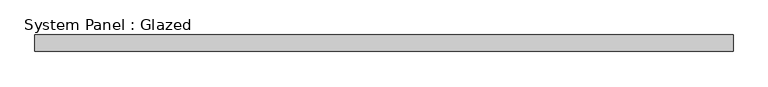
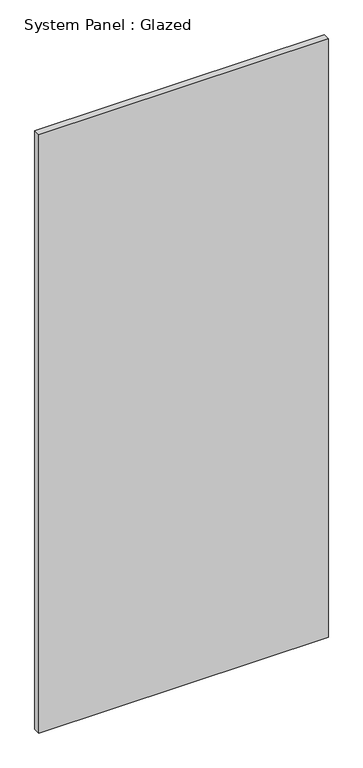
"""IFC4 building model written with IfcOpenShell, lengths in millimetres: plate geometry, System Panel : Glazed."""

import ifcopenshell
import ifcopenshell.guid

model = None  # the IFC model being written
_history = None  # IfcOwnerHistory: only IFC2X3 demands one
_inside = {}  # id of a spatial element -> (the spatial element, [elements in it])
_under = {}  # id of a project, library or spatial element -> (it, [spatial elements below it])
_declared = {}  # id of a project -> (the project, [libraries it declares])
_typed = {}  # id of a type object -> (the type object, [elements of that type])
_made_of = {}  # id of a material, layer set ... -> (it, [elements and type objects made of it])


def new_model(schema):
    """Start an empty IFC model of exactly this schema.

    Asked for "IFC4X3", IfcOpenShell would pick the latest addendum, in which some entities
    have other attributes; the version numbers below select the first issue.
    IFC2X3 requires an IfcOwnerHistory on every rooted entity: one is made here for all.
    """
    global model, _history
    if schema == "IFC4X3":
        model = ifcopenshell.file(schema_version=(4, 3, 0, 0))
    else:
        model = ifcopenshell.file(schema=schema)
    _inside.clear()
    _under.clear()
    _declared.clear()
    _typed.clear()
    _made_of.clear()
    _history = None
    if model.schema == "IFC2X3":
        org = make("IfcOrganization", Name="unknown")
        user = make(
            "IfcPersonAndOrganization",
            ThePerson=make("IfcPerson", FamilyName="unknown"),
            TheOrganization=org,
        )
        app = make(
            "IfcApplication",
            ApplicationDeveloper=org,
            Version="unknown",
            ApplicationFullName="unknown",
            ApplicationIdentifier="unknown",
        )
        _history = make(
            "IfcOwnerHistory",
            OwningUser=user,
            OwningApplication=app,
            ChangeAction="ADDED",
            CreationDate=0,
        )
    return model


def make(cls, **values):
    """One entity of the class cls with the attributes given. An attribute that is None is left unset."""
    return model.create_entity(
        cls, **{name: value for name, value in values.items() if value is not None}
    )


def rooted(cls, **values):
    """An entity with a GlobalId (a new one), such as an element, a storey or a relation."""
    return make(cls, GlobalId=ifcopenshell.guid.new(), OwnerHistory=_history, **values)


def si_unit(unit_type, name, prefix=None):
    """IfcSIUnit, for example si_unit("LENGTHUNIT", "METRE", prefix="MILLI")."""
    return make("IfcSIUnit", UnitType=unit_type, Prefix=prefix, Name=name)


def assignment(units):
    """IfcUnitAssignment: the units of a project."""
    return None if units is None else make("IfcUnitAssignment", Units=units)


def point(xyz):
    """IfcCartesianPoint."""
    return None if xyz is None else make("IfcCartesianPoint", Coordinates=xyz)


def direction(xyz):
    """IfcDirection."""
    return None if xyz is None else make("IfcDirection", DirectionRatios=xyz)


def frame(location, z_axis=None, x_axis=None):
    """IfcAxis2Placement3D, a coordinate frame: its origin and axes. An axis left out is left unset."""
    return make(
        "IfcAxis2Placement3D",
        Location=point(location),
        Axis=direction(z_axis),
        RefDirection=direction(x_axis),
    )


def origin():
    """The frame at (0, 0, 0) with its axes left unset."""
    return frame((0.0, 0.0, 0.0))


def origin_with_axes():
    """The frame at (0, 0, 0) with the z axis (0, 0, 1) and the x axis (1, 0, 0) written out."""
    return frame((0.0, 0.0, 0.0), z_axis=(0.0, 0.0, 1.0), x_axis=(1.0, 0.0, 0.0))


def place(relative_to, where):
    """IfcLocalPlacement: puts the frame where relative to a parent placement (None: the world)."""
    return make(
        "IfcLocalPlacement", PlacementRelTo=relative_to, RelativePlacement=where
    )


def context(
    kind, dimensions, precision=None, world=None, true_north=None, identifier=None
):
    """IfcGeometricRepresentationContext, for example the 3D "Model" context."""
    return make(
        "IfcGeometricRepresentationContext",
        ContextIdentifier=identifier,
        ContextType=kind,
        CoordinateSpaceDimension=dimensions,
        Precision=precision,
        WorldCoordinateSystem=world,
        TrueNorth=true_north,
    )


def project(units=None, contexts=None):
    """IfcProject with its units and contexts."""
    return rooted(
        "IfcProject",
        Name="project",
        RepresentationContexts=contexts,
        UnitsInContext=assignment(units),
    )


def spatial(cls, under=None, at=None, **own):
    """A site, building, storey or space (cls), placed at a placement, below another one or the project."""
    s = rooted(cls, ObjectPlacement=at, **own)
    if under is not None:
        _under.setdefault(under.id(), (under, []))[1].append(s)
    return s


def polyline(points):
    """IfcPolyline through the points."""
    return make("IfcPolyline", Points=[point(p) for p in points])


def outline(outer, holes=None, kind="AREA"):
    """IfcArbitraryClosedProfileDef: a profile drawn as a closed curve; with holes, ...WithVoids."""
    if holes is None:
        return make("IfcArbitraryClosedProfileDef", ProfileType=kind, OuterCurve=outer)
    return make(
        "IfcArbitraryProfileDefWithVoids",
        ProfileType=kind,
        OuterCurve=outer,
        InnerCurves=holes,
    )


def extrude(swept, where, along, depth):
    """IfcExtrudedAreaSolid: the profile swept, set in the frame where, extruded along a direction by depth."""
    return make(
        "IfcExtrudedAreaSolid",
        SweptArea=swept,
        Position=where,
        ExtrudedDirection=direction(along),
        Depth=depth,
    )


def shape(context_of_items, identifier, shape_type, items):
    """IfcShapeRepresentation: the items that make up one representation, for example the "Body"."""
    return make(
        "IfcShapeRepresentation",
        ContextOfItems=context_of_items,
        RepresentationIdentifier=identifier,
        RepresentationType=shape_type,
        Items=items,
    )


def source(mapping_origin, context_of_items, identifier, shape_type, items):
    """IfcRepresentationMap: a shape defined once, which mapped items show again and again."""
    return make(
        "IfcRepresentationMap",
        MappingOrigin=mapping_origin,
        MappedRepresentation=shape(context_of_items, identifier, shape_type, items),
    )


def transform(
    local_origin,
    x_axis=None,
    y_axis=None,
    z_axis=None,
    scale=None,
    scale2=None,
    scale3=None,
    uniform=True,
):
    """IfcCartesianTransformationOperator3D, or its non-uniform kind. x_axis, y_axis, z_axis: its Axis1, 2, 3."""
    if uniform:
        return make(
            "IfcCartesianTransformationOperator3D",
            Axis1=direction(x_axis),
            Axis2=direction(y_axis),
            LocalOrigin=point(local_origin),
            Scale=scale,
            Axis3=direction(z_axis),
        )
    return make(
        "IfcCartesianTransformationOperator3DnonUniform",
        Axis1=direction(x_axis),
        Axis2=direction(y_axis),
        LocalOrigin=point(local_origin),
        Scale=scale,
        Axis3=direction(z_axis),
        Scale2=scale2,
        Scale3=scale3,
    )


def mapped(mapping_source, mapping_target):
    """IfcMappedItem: shows the shape of a source again, moved by a transform."""
    return make(
        "IfcMappedItem", MappingSource=mapping_source, MappingTarget=mapping_target
    )


def made_of(thing, what):
    """Note that an element or type object is made of a material, layer set ...; save() writes the relation."""
    if what is not None:
        _made_of.setdefault(what.id(), (what, []))[1].append(thing)
    return thing


def element(
    cls,
    number,
    at=None,
    inside=None,
    cuts=None,
    type_object=None,
    material=None,
    context=None,
    identifier="Body",
    shape_type=None,
    held_by="IfcProductDefinitionShape",
    body=None,
    shapes=None,
    **own,
):
    """One element of the class cls, such as IfcWall. Its Tag is "e" and its number.

    at: its placement. inside: the storey or other place that contains it. cuts: it is an
    opening in that element (IfcRelVoidsElement). A single representation is given by context,
    identifier, shape_type and body (its items); several are given by shapes. held_by: the class
    of the entity that holds the representations. save() writes the other relations.
    """
    e = rooted(cls, Tag="e%d" % number, ObjectPlacement=at, **own)
    if body is not None:
        shapes = [shape(context, identifier, shape_type, body)]
    if shapes is not None:
        e.Representation = make(held_by, Representations=shapes)
    if inside is not None:
        _inside.setdefault(inside.id(), (inside, []))[1].append(e)
    if cuts is not None:
        rooted(
            "IfcRelVoidsElement", RelatingBuildingElement=cuts, RelatedOpeningElement=e
        )
    if type_object is not None:
        _typed.setdefault(type_object.id(), (type_object, []))[1].append(e)
    return made_of(e, material)


def aggregate(whole, parts):
    """IfcRelAggregates: a whole, such as a stair, and the parts it consists of."""
    return rooted("IfcRelAggregates", RelatingObject=whole, RelatedObjects=parts)


def save(model, path):
    """Write the relations noted so far, then the file.

    IfcRelAggregates (storeys below a building ...), IfcRelContainedInSpatialStructure (elements
    in a storey), IfcRelDefinesByType, IfcRelAssociatesMaterial and IfcRelDeclares: one each for
    every whole, place, type object, material and project.
    """
    for whole, parts in _under.values():
        aggregate(whole, parts)
    for where, things in _inside.values():
        rooted(
            "IfcRelContainedInSpatialStructure",
            RelatedElements=things,
            RelatingStructure=where,
        )
    for kind, things in _typed.values():
        rooted("IfcRelDefinesByType", RelatedObjects=things, RelatingType=kind)
    for what, things in _made_of.values():
        rooted("IfcRelAssociatesMaterial", RelatedObjects=things, RelatingMaterial=what)
    for by, libraries in _declared.values():
        rooted("IfcRelDeclares", RelatingContext=by, RelatedDefinitions=libraries)
    model.write(path)


def system_panel_glazed_3f59ff7a(model_context):
    return source(origin(), model_context, "Body", "SweptSolid", [
        extrude(outline(polyline([(536.5750001, -44.45), (-536.5750001, -44.45), (-536.5750001, -19.05), (536.5750001, -19.05), (536.5750001, -44.45)])), origin_with_axes(), (0.0, 0.0, 1.0), 2343.15),
    ])


if __name__ == "__main__":
    model = new_model("IFC4")
    model_context = context("Model", 3, world=origin())
    ifc_project = project(units=[si_unit("LENGTHUNIT", "METRE", prefix="MILLI")], contexts=[model_context])
    site = spatial("IfcSite", under=ifc_project)
    building = spatial("IfcBuilding", under=site)
    placement = place(None, origin())
    system_panel_glazed_shape = system_panel_glazed_3f59ff7a(model_context)
    element("IfcPlate", 1, ObjectType="System Panel : Glazed", at=placement, inside=building, context=model_context, shape_type="MappedRepresentation", body=[
        mapped(system_panel_glazed_shape, transform((0.0, 0.0, 0.0), x_axis=(1.0, 0.0, 0.0), y_axis=(0.0, 1.0, 0.0), z_axis=(0.0, 0.0, 1.0))),
    ])
    save(model, "model.ifc")
